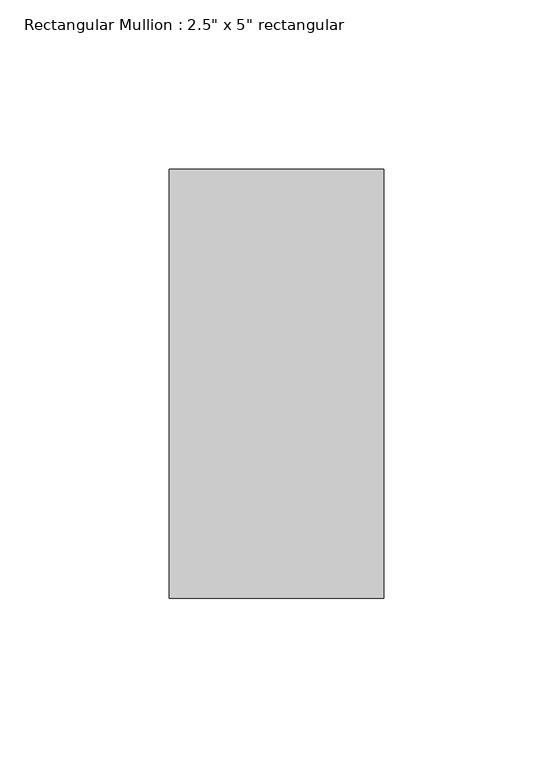
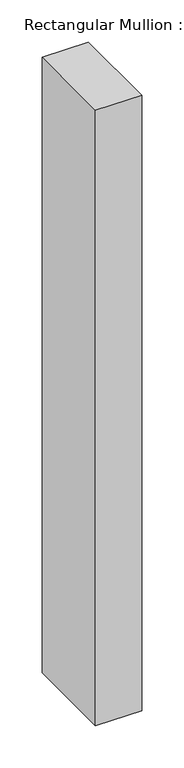
"""IFC4 building model written with IfcOpenShell, lengths in millimetres: member geometry."""

from ifc_helpers import new_model, si_unit, frame, origin, place, context, project, spatial, polyline, outline, extrude, source, transform, mapped, element, save


def member_6afa0cef(model_context):
    return source(origin(), model_context, "Body", "SweptSolid", [
        extrude(outline(polyline([(0.0, 63.5), (0.0, -63.5), (-63.5, -63.5), (-63.5, 63.5), (0.0, 63.5)])), frame((0.0, 0.0, -893.0), z_axis=(0.0, 0.0, 1.0), x_axis=(1.0, 0.0, 0.0)), (0.0, 0.0, 1.0), 893.0),
    ])


if __name__ == "__main__":
    model = new_model("IFC4")
    model_context = context("Model", 3, world=origin())
    ifc_project = project(units=[si_unit("LENGTHUNIT", "METRE", prefix="MILLI")], contexts=[model_context])
    site = spatial("IfcSite", under=ifc_project)
    building = spatial("IfcBuilding", under=site)
    placement = place(None, origin())
    member_shape = member_6afa0cef(model_context)
    element("IfcMember", 1, ObjectType="Rectangular Mullion : 2.5\" x 5\" rectangular", at=placement, inside=building, context=model_context, shape_type="MappedRepresentation", body=[
        mapped(member_shape, transform((0.0, 0.0, 0.0), x_axis=(1.0, 0.0, 0.0), y_axis=(0.0, 1.0, 0.0), z_axis=(0.0, 0.0, 1.0))),
    ])
    save(model, "model.ifc")
